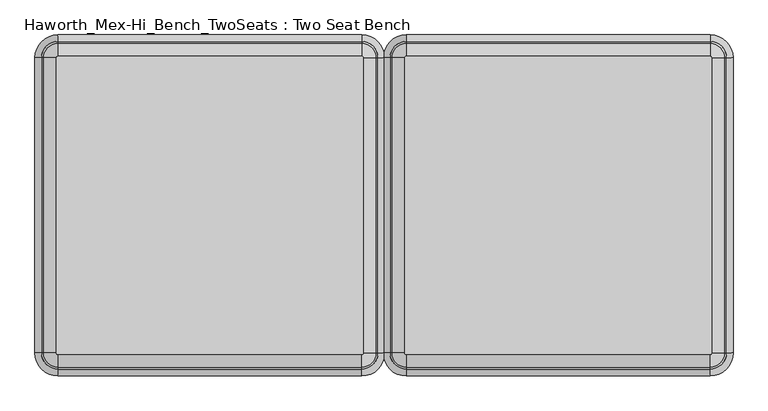
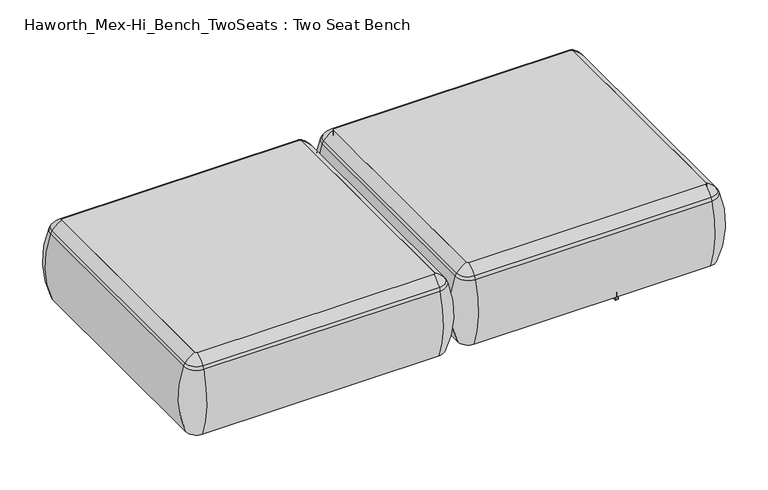
"""IFC4 building model written with IfcOpenShell, lengths in millimetres: furniture geometry, Haworth_Mex-Hi_Bench_TwoSeats : Two Seat Bench."""

from ifc_helpers import new_model, si_unit, point, frame, frame_2d, origin, place, context, project, spatial, polyline, circle_curve, ellipse_curve, trimmed, segment, composite_curve, outline, extrude, source, transform, mapped, element, save
from ifc_brep_helpers import plane_surface, cylinder_surface, revolved_surface, advanced_brep


def haworth_mex_hi_bench_twoseats_two_seat_bench_a77e207c(model_context):
    return source(origin(), model_context, "Body", "SolidModel", [
        advanced_brep(
        [(-103.5651735, -668.4794123, 390.3914007), (-98.2853663, -673.7592195, 390.3914007), (-98.2853663, -673.7592195, 123.9999984), (-103.5651735, -668.4794123, 123.9999984), (-132.2532177, -668.4794123, 123.9999984), (-98.2853663, -702.4472637, 123.9999984), (-98.2853663, -710.1267287, 353.7769053), (-139.9326827, -668.4794123, 353.7769053), (-103.5651735, 89.8571486, 123.9999984), (-103.5651735, 89.8571486, 390.3914007), (-139.9326827, 89.8571486, 353.7769053), (-132.2532177, 89.8571486, 123.9999984), (-98.2853663, 95.1369558, 390.3914007), (-98.2853663, 95.1369558, 123.9999984), (-98.2853663, 123.825, 123.9999984), (-98.2853663, 131.504465, 353.7769053), (681.4946337, 95.1369558, 123.9999984), (681.4946337, 95.1369558, 390.3914007), (681.4946337, 131.504465, 353.7769053), (681.4946337, 123.825, 123.9999984), (686.774441, 89.8571486, 390.3914007), (686.774441, 89.8571486, 123.9999984), (715.4624852, 89.8571486, 123.9999984), (723.1419502, 89.8571486, 353.7769053), (686.774441, -668.4794123, 123.9999984), (686.774441, -668.4794123, 390.3914007), (723.1419502, -668.4794123, 353.7769053), (715.4624852, -668.4794123, 123.9999984), (681.4946337, -673.7592195, 390.3914007), (681.4946337, -673.7592195, 123.9999984), (681.4946337, -702.4472637, 123.9999984), (681.4946337, -710.1267287, 353.7769053), (-134.7142228, -668.4794123, 363.6402875), (-98.2853663, -704.9082688, 363.6402875), (-134.7142228, 89.8571486, 363.6402875), (-98.2853663, 126.2860051, 363.6402875), (681.4946337, 126.2860051, 363.6402875), (717.9234903, 89.8571486, 363.6402875), (717.9234903, -668.4794123, 363.6402875), (681.4946337, -704.9082688, 363.6402875)],
        [
            (0, 1, circle_curve(frame((-98.2853663, -668.4794123, 390.3914007), z_axis=(0.0, 0.0, 1.0), x_axis=(0.0, -1.0, 0.0)), 5.2798073)),
            (1, 2),
            (2, 3, circle_curve(frame((-98.2853663, -668.4794123, 123.9999984), z_axis=(0.0, 0.0, -1.0), x_axis=(0.0, -1.0, 0.0)), 5.2798073)),
            (3, 0),
            (4, 5, circle_curve(frame((-98.2853663, -668.4794123, 123.9999984), z_axis=(0.0, 0.0, 1.0), x_axis=(0.0, -1.0, 0.0)), 33.9678514)),
            (5, 6, circle_curve(frame((-98.2853663, -406.0729797, 248.9220234), z_axis=(-1.0, 0.0, 0.0), x_axis=(0.0, -1.0, 0.0)), 321.625914)),
            (6, 7, circle_curve(frame((-98.2853663, -668.4794123, 353.7769053), z_axis=(0.0, 0.0, -1.0), x_axis=(0.0, -1.0, 0.0)), 41.6473165)),
            (7, 4, circle_curve(frame((164.1210663, -668.4794123, 248.9220234), z_axis=(0.0, -1.0, 0.0), x_axis=(-1.0, 0.0, 0.0)), 321.625914)),
            (3, 8),
            (8, 9),
            (9, 0),
            (7, 10),
            (10, 11, circle_curve(frame((164.1210663, 89.8571486, 248.9220234), z_axis=(0.0, -1.0, 0.0), x_axis=(-1.0, 0.0, 0.0)), 321.625914)),
            (11, 4),
            (12, 9, circle_curve(frame((-98.2853663, 89.8571486, 390.3914007), z_axis=(0.0, 0.0, 1.0), x_axis=(-1.0, 0.0, 0.0)), 5.2798073)),
            (8, 13, circle_curve(frame((-98.2853663, 89.8571486, 123.9999984), z_axis=(0.0, 0.0, -1.0), x_axis=(-1.0, 0.0, 0.0)), 5.2798073)),
            (13, 12),
            (14, 11, circle_curve(frame((-98.2853663, 89.8571486, 123.9999984), z_axis=(0.0, 0.0, 1.0), x_axis=(-1.0, 0.0, 0.0)), 33.9678514)),
            (10, 15, circle_curve(frame((-98.2853663, 89.8571486, 353.7769053), z_axis=(0.0, 0.0, -1.0), x_axis=(-1.0, 0.0, 0.0)), 41.6473165)),
            (15, 14, circle_curve(frame((-98.2853663, -172.549284, 248.9220234), z_axis=(-1.0, 0.0, 0.0), x_axis=(0.0, 1.0, 0.0)), 321.625914)),
            (13, 16),
            (16, 17),
            (17, 12),
            (15, 18),
            (18, 19, circle_curve(frame((681.4946337, -172.549284, 248.9220234), z_axis=(-1.0, 0.0, 0.0), x_axis=(0.0, 1.0, 0.0)), 321.625914)),
            (19, 14),
            (20, 17, circle_curve(frame((681.4946337, 89.8571486, 390.3914007), z_axis=(0.0, 0.0, 1.0), x_axis=(0.0, 1.0, 0.0)), 5.2798073)),
            (16, 21, circle_curve(frame((681.4946337, 89.8571486, 123.9999984), z_axis=(0.0, 0.0, -1.0), x_axis=(0.0, 1.0, 0.0)), 5.2798073)),
            (21, 20),
            (22, 19, circle_curve(frame((681.4946337, 89.8571486, 123.9999984), z_axis=(0.0, 0.0, 1.0), x_axis=(0.0, 1.0, 0.0)), 33.9678514)),
            (18, 23, circle_curve(frame((681.4946337, 89.8571486, 353.7769053), z_axis=(0.0, 0.0, -1.0), x_axis=(0.0, 1.0, 0.0)), 41.6473165)),
            (23, 22, circle_curve(frame((419.0882012, 89.8571486, 248.9220234), z_axis=(0.0, 1.0, 0.0), x_axis=(1.0, 0.0, 0.0)), 321.625914)),
            (21, 24),
            (24, 25),
            (25, 20),
            (23, 26),
            (26, 27, circle_curve(frame((419.0882012, -668.4794123, 248.9220234), z_axis=(0.0, 1.0, 0.0), x_axis=(1.0, 0.0, 0.0)), 321.625914)),
            (27, 22),
            (28, 25, circle_curve(frame((681.4946337, -668.4794123, 390.3914007), z_axis=(0.0, 0.0, 1.0), x_axis=(1.0, 0.0, 0.0)), 5.2798073)),
            (24, 29, circle_curve(frame((681.4946337, -668.4794123, 123.9999984), z_axis=(0.0, 0.0, -1.0), x_axis=(1.0, 0.0, 0.0)), 5.2798073)),
            (29, 28),
            (30, 27, circle_curve(frame((681.4946337, -668.4794123, 123.9999984), z_axis=(0.0, 0.0, 1.0), x_axis=(1.0, 0.0, 0.0)), 33.9678514)),
            (26, 31, circle_curve(frame((681.4946337, -668.4794123, 353.7769053), z_axis=(0.0, 0.0, -1.0), x_axis=(1.0, 0.0, 0.0)), 41.6473165)),
            (31, 30, circle_curve(frame((681.4946337, -406.0729797, 248.9220234), z_axis=(1.0, 0.0, 0.0), x_axis=(0.0, -1.0, 0.0)), 321.625914)),
            (30, 5),
            (2, 29),
            (1, 28),
            (31, 6),
            (32, 33, circle_curve(frame((-98.2853663, -668.4794123, 363.6402875), z_axis=(0.0, 0.0, 1.0), x_axis=(0.0, -1.0, 0.0)), 36.4288566)),
            (33, 1, circle_curve(frame((-98.2853663, -629.5266, 307.3762868), z_axis=(-1.0, 0.0, 0.0), x_axis=(0.0, -1.0, 0.0)), 94.0639876)),
            (0, 32, circle_curve(frame((-59.332554, -668.4794123, 307.3762868), z_axis=(0.0, -1.0, 0.0), x_axis=(-1.0, 0.0, 0.0)), 94.0639876)),
            (6, 33, circle_curve(frame((-98.2853663, -675.8620096, 341.9604975), z_axis=(-1.0, 0.0, 0.0), x_axis=(0.0, -1.0, 0.0)), 36.2449785)),
            (32, 7, circle_curve(frame((-105.6679637, -668.4794123, 341.9604975), z_axis=(0.0, -1.0, 0.0), x_axis=(-1.0, 0.0, 0.0)), 36.2449785)),
            (9, 34, circle_curve(frame((-59.332554, 89.8571486, 307.3762868), z_axis=(0.0, -1.0, 0.0), x_axis=(-1.0, 0.0, 0.0)), 94.0639876)),
            (34, 32),
            (34, 10, circle_curve(frame((-105.6679637, 89.8571486, 341.9604975), z_axis=(0.0, -1.0, 0.0), x_axis=(-1.0, 0.0, 0.0)), 36.2449785)),
            (35, 34, circle_curve(frame((-98.2853663, 89.8571486, 363.6402875), z_axis=(0.0, 0.0, 1.0), x_axis=(-1.0, 0.0, 0.0)), 36.4288566)),
            (12, 35, circle_curve(frame((-98.2853663, 50.9043363, 307.3762868), z_axis=(-1.0, 0.0, 0.0), x_axis=(0.0, 1.0, 0.0)), 94.0639876)),
            (35, 15, circle_curve(frame((-98.2853663, 97.2397459, 341.9604975), z_axis=(-1.0, 0.0, 0.0), x_axis=(0.0, 1.0, 0.0)), 36.2449785)),
            (17, 36, circle_curve(frame((681.4946337, 50.9043363, 307.3762868), z_axis=(-1.0, 0.0, 0.0), x_axis=(0.0, 1.0, 0.0)), 94.0639876)),
            (36, 35),
            (36, 18, circle_curve(frame((681.4946337, 97.2397459, 341.9604975), z_axis=(-1.0, 0.0, 0.0), x_axis=(0.0, 1.0, 0.0)), 36.2449785)),
            (37, 36, circle_curve(frame((681.4946337, 89.8571486, 363.6402875), z_axis=(0.0, 0.0, 1.0), x_axis=(0.0, 1.0, 0.0)), 36.4288566)),
            (20, 37, circle_curve(frame((642.5418215, 89.8571486, 307.3762868), z_axis=(0.0, 1.0, 0.0), x_axis=(1.0, 0.0, 0.0)), 94.0639876)),
            (37, 23, circle_curve(frame((688.8772311, 89.8571486, 341.9604975), z_axis=(0.0, 1.0, 0.0), x_axis=(1.0, 0.0, 0.0)), 36.2449785)),
            (25, 38, circle_curve(frame((642.5418215, -668.4794123, 307.3762868), z_axis=(0.0, 1.0, 0.0), x_axis=(1.0, 0.0, 0.0)), 94.0639876)),
            (38, 37),
            (38, 26, circle_curve(frame((688.8772311, -668.4794123, 341.9604975), z_axis=(0.0, 1.0, 0.0), x_axis=(1.0, 0.0, 0.0)), 36.2449785)),
            (39, 38, circle_curve(frame((681.4946337, -668.4794123, 363.6402875), z_axis=(0.0, 0.0, 1.0), x_axis=(1.0, 0.0, 0.0)), 36.4288566)),
            (28, 39, circle_curve(frame((681.4946337, -629.5266, 307.3762868), z_axis=(1.0, 0.0, 0.0), x_axis=(0.0, -1.0, 0.0)), 94.0639876)),
            (39, 31, circle_curve(frame((681.4946337, -675.8620096, 341.9604975), z_axis=(1.0, 0.0, 0.0), x_axis=(0.0, -1.0, 0.0)), 36.2449785)),
            (33, 39),
        ],
        [
            revolved_surface(polyline([(-98.2853663, -673.7592196, 123.9999984), (-98.2853663, -673.7592196, 390.3914007)]), (-98.2853663, -668.4794123, 0.0), (0.0, 0.0, -1.0)),
            revolved_surface(trimmed(ellipse_curve(frame((-98.2853663, -406.0729797, 248.9220234), z_axis=(1.0, 0.0, 0.0), x_axis=(0.0, -1.0, 0.0)), 321.625914, 321.625914), [point((-98.2853663, -710.1267287, 353.7769053))], [point((-98.2853663, -702.4472637, 123.9999984))], True, "CARTESIAN"), (-98.2853663, -668.4794123, 0.0), (0.0, 0.0, -1.0)),
            plane_surface(frame((-103.5651735, -668.4794123, 123.9999984), z_axis=(1.0, 0.0, 0.0), x_axis=(0.0, 1.0, 0.0))),
            cylinder_surface(frame((164.1210663, -668.4794123, 248.9220234), z_axis=(0.0, -1.0, 0.0), x_axis=(-1.0, 0.0, 0.0)), 321.625914),
            revolved_surface(polyline([(-103.56517360000001, 89.8571486, 123.9999984), (-103.56517360000001, 89.8571486, 390.3914007)]), (-98.2853663, 89.8571486, 0.0), (0.0, 0.0, -1.0)),
            revolved_surface(trimmed(ellipse_curve(frame((164.1210663, 89.8571486, 248.9220234), z_axis=(0.0, -1.0, 0.0), x_axis=(-1.0, 0.0, 0.0)), 321.625914, 321.625914), [point((-139.9326827, 89.8571486, 353.7769053))], [point((-132.2532177, 89.8571486, 123.9999984))], True, "CARTESIAN"), (-98.2853663, 89.8571486, 0.0), (0.0, 0.0, -1.0)),
            plane_surface(frame((-98.2853663, 95.1369558, 123.9999984), z_axis=(0.0, -1.0, 0.0), x_axis=(1.0, 0.0, 0.0))),
            cylinder_surface(frame((-98.2853663, -172.549284, 248.9220234), z_axis=(-1.0, 0.0, 0.0), x_axis=(0.0, 1.0, 0.0)), 321.625914),
            revolved_surface(polyline([(681.4946337, 95.1369559, 123.9999984), (681.4946337, 95.1369559, 390.3914007)]), (681.4946337, 89.8571486, 0.0), (0.0, 0.0, -1.0)),
            revolved_surface(trimmed(ellipse_curve(frame((681.4946337, -172.549284, 248.9220234), z_axis=(-1.0, 0.0, 0.0), x_axis=(0.0, 1.0, 0.0)), 321.625914, 321.625914), [point((681.4946337, 131.504465, 353.7769053))], [point((681.4946337, 123.825, 123.9999984))], True, "CARTESIAN"), (681.4946337, 89.8571486, 0.0), (0.0, 0.0, -1.0)),
            plane_surface(frame((686.774441, 89.8571486, 123.9999984), z_axis=(-1.0, 0.0, 0.0), x_axis=(0.0, -1.0, 0.0))),
            cylinder_surface(frame((419.0882012, 89.8571486, 248.9220234), z_axis=(0.0, 1.0, 0.0), x_axis=(1.0, 0.0, 0.0)), 321.625914),
            revolved_surface(polyline([(686.774441, -668.4794123, 123.9999984), (686.774441, -668.4794123, 390.3914007)]), (681.4946337, -668.4794123, 0.0), (0.0, 0.0, -1.0)),
            revolved_surface(trimmed(ellipse_curve(frame((419.0882012, -668.4794123, 248.9220234), z_axis=(0.0, 1.0, 0.0), x_axis=(1.0, 0.0, 0.0)), 321.625914, 321.625914), [point((723.1419502, -668.4794123, 353.7769053))], [point((715.4624852, -668.4794123, 123.9999984))], True, "CARTESIAN"), (681.4946337, -668.4794123, 0.0), (0.0, 0.0, -1.0)),
            plane_surface(frame((681.4946337, -702.4472637, 123.9999984), z_axis=(0.0, 0.0, -1.0), x_axis=(-1.0, 0.0, 0.0))),
            plane_surface(frame((681.4946337, -673.7592195, 123.9999984), z_axis=(0.0, 1.0, 0.0), x_axis=(-1.0, 0.0, 0.0))),
            cylinder_surface(frame((681.4946337, -406.0729797, 248.9220234), z_axis=(1.0, 0.0, 0.0), x_axis=(0.0, -1.0, 0.0)), 321.625914),
            revolved_surface(trimmed(ellipse_curve(frame((-98.2853663, -629.5266, 307.3762868), z_axis=(1.0, 0.0, 0.0), x_axis=(0.0, -1.0, 0.0)), 94.0639876, 94.0639876), [point((-98.2853663, -673.7592195, 390.3914007))], [point((-98.2853663, -704.9082688, 363.6402875))], True, "CARTESIAN"), (-98.2853663, -668.4794123, 0.0), (0.0, 0.0, -1.0)),
            revolved_surface(trimmed(ellipse_curve(frame((-98.2853663, -675.8620096, 341.9604975), z_axis=(1.0, 0.0, 0.0), x_axis=(0.0, -1.0, 0.0)), 36.2449785, 36.2449785), [point((-98.2853663, -704.9082688, 363.6402875))], [point((-98.2853663, -710.1267287, 353.7769053))], True, "CARTESIAN"), (-98.2853663, -668.4794123, 0.0), (0.0, 0.0, -1.0)),
            cylinder_surface(frame((-59.332554, -668.4794123, 307.3762868), z_axis=(0.0, -1.0, 0.0), x_axis=(-1.0, 0.0, 0.0)), 94.0639876),
            cylinder_surface(frame((-105.6679637, -668.4794123, 341.9604975), z_axis=(0.0, -1.0, 0.0), x_axis=(-1.0, 0.0, 0.0)), 36.2449785),
            revolved_surface(trimmed(ellipse_curve(frame((-59.332554, 89.8571486, 307.3762868), z_axis=(0.0, -1.0, 0.0), x_axis=(-1.0, 0.0, 0.0)), 94.0639876, 94.0639876), [point((-103.5651735, 89.8571486, 390.3914007))], [point((-134.7142228, 89.8571486, 363.6402875))], True, "CARTESIAN"), (-98.2853663, 89.8571486, 0.0), (0.0, 0.0, -1.0)),
            revolved_surface(trimmed(ellipse_curve(frame((-105.6679637, 89.8571486, 341.9604975), z_axis=(0.0, -1.0, 0.0), x_axis=(-1.0, 0.0, 0.0)), 36.2449785, 36.2449785), [point((-134.7142228, 89.8571486, 363.6402875))], [point((-139.9326827, 89.8571486, 353.7769053))], True, "CARTESIAN"), (-98.2853663, 89.8571486, 0.0), (0.0, 0.0, -1.0)),
            cylinder_surface(frame((-98.2853663, 50.9043363, 307.3762868), z_axis=(-1.0, 0.0, 0.0), x_axis=(0.0, 1.0, 0.0)), 94.0639876),
            cylinder_surface(frame((-98.2853663, 97.2397459, 341.9604975), z_axis=(-1.0, 0.0, 0.0), x_axis=(0.0, 1.0, 0.0)), 36.2449785),
            revolved_surface(trimmed(ellipse_curve(frame((681.4946337, 50.9043363, 307.3762868), z_axis=(-1.0, 0.0, 0.0), x_axis=(0.0, 1.0, 0.0)), 94.0639876, 94.0639876), [point((681.4946337, 95.1369558, 390.3914007))], [point((681.4946337, 126.2860051, 363.6402875))], True, "CARTESIAN"), (681.4946337, 89.8571486, 0.0), (0.0, 0.0, -1.0)),
            revolved_surface(trimmed(ellipse_curve(frame((681.4946337, 97.2397459, 341.9604975), z_axis=(-1.0, 0.0, 0.0), x_axis=(0.0, 1.0, 0.0)), 36.2449785, 36.2449785), [point((681.4946337, 126.2860051, 363.6402875))], [point((681.4946337, 131.504465, 353.7769053))], True, "CARTESIAN"), (681.4946337, 89.8571486, 0.0), (0.0, 0.0, -1.0)),
            cylinder_surface(frame((642.5418215, 89.8571486, 307.3762868), z_axis=(0.0, 1.0, 0.0), x_axis=(1.0, 0.0, 0.0)), 94.0639876),
            cylinder_surface(frame((688.8772311, 89.8571486, 341.9604975), z_axis=(0.0, 1.0, 0.0), x_axis=(1.0, 0.0, 0.0)), 36.2449785),
            revolved_surface(trimmed(ellipse_curve(frame((642.5418215, -668.4794123, 307.3762868), z_axis=(0.0, 1.0, 0.0), x_axis=(1.0, 0.0, 0.0)), 94.0639876, 94.0639876), [point((686.774441, -668.4794123, 390.3914007))], [point((717.9234903, -668.4794123, 363.6402875))], True, "CARTESIAN"), (681.4946337, -668.4794123, 0.0), (0.0, 0.0, -1.0)),
            revolved_surface(trimmed(ellipse_curve(frame((688.8772311, -668.4794123, 341.9604975), z_axis=(0.0, 1.0, 0.0), x_axis=(1.0, 0.0, 0.0)), 36.2449785, 36.2449785), [point((717.9234903, -668.4794123, 363.6402875))], [point((723.1419502, -668.4794123, 353.7769053))], True, "CARTESIAN"), (681.4946337, -668.4794123, 0.0), (0.0, 0.0, -1.0)),
            cylinder_surface(frame((681.4946337, -629.5266, 307.3762868), z_axis=(1.0, 0.0, 0.0), x_axis=(0.0, -1.0, 0.0)), 94.0639876),
            cylinder_surface(frame((681.4946337, -675.8620096, 341.9604975), z_axis=(1.0, 0.0, 0.0), x_axis=(0.0, -1.0, 0.0)), 36.2449785),
        ],
        [
            (0, [[1, 2, 3, 4]]),
            (1, [[5, 6, 7, 8]]),
            (2, [[-4, 9, 10, 11]]),
            (3, [[-8, 12, 13, 14]]),
            (4, [[15, -10, 16, 17]]),
            (5, [[18, -13, 19, 20]]),
            (6, [[-17, 21, 22, 23]]),
            (7, [[-20, 24, 25, 26]]),
            (8, [[27, -22, 28, 29]]),
            (9, [[30, -25, 31, 32]]),
            (10, [[-29, 33, 34, 35]]),
            (11, [[-32, 36, 37, 38]]),
            (12, [[39, -34, 40, 41]]),
            (13, [[42, -37, 43, 44]]),
            (14, [[-38, -42, 45, -5, -14, -18, -26, -30], [46, -40, -33, -28, -21, -16, -9, -3]]),
            (15, [[-41, -46, -2, 47]]),
            (16, [[-44, 48, -6, -45]]),
            (17, [[49, 50, -1, 51]]),
            (18, [[-7, 52, -49, 53]]),
            (19, [[-51, -11, 54, 55]]),
            (20, [[-53, -55, 56, -12]]),
            (21, [[57, -54, -15, 58]]),
            (22, [[-19, -56, -57, 59]]),
            (23, [[-58, -23, 60, 61]]),
            (24, [[-59, -61, 62, -24]]),
            (25, [[63, -60, -27, 64]]),
            (26, [[-31, -62, -63, 65]]),
            (27, [[-64, -35, 66, 67]]),
            (28, [[-65, -67, 68, -36]]),
            (29, [[69, -66, -39, 70]]),
            (30, [[-43, -68, -69, 71]]),
            (31, [[-70, -47, -50, 72]]),
            (32, [[-71, -72, -52, -48]]),
        ],
    ),
        extrude(outline(composite_curve([segment(trimmed(circle_curve(frame_2d((681.4946337, -668.4794123)), 5.2798073), [point((686.774441, -668.4794123))], [point((681.4946337, -673.7592195))], False, "CARTESIAN"), True, "CONTINUOUS"), segment(polyline([(681.4946337, -673.7592195), (-98.2853663, -673.7592195)]), True, "CONTINUOUS"), segment(trimmed(circle_curve(frame_2d((-98.2853663, -668.4794123)), 5.2798073), [point((-98.2853663, -673.7592195))], [point((-103.5651735, -668.4794123))], False, "CARTESIAN"), True, "CONTINUOUS"), segment(polyline([(-103.5651735, -668.4794123), (-103.5651735, 89.8571486)]), True, "CONTINUOUS"), segment(trimmed(circle_curve(frame_2d((-98.2853663, 89.8571486)), 5.2798073), [point((-103.5651735, 89.8571486))], [point((-98.2853663, 95.1369558))], False, "CARTESIAN"), True, "CONTINUOUS"), segment(polyline([(-98.2853663, 95.1369558), (681.4946337, 95.1369558)]), True, "CONTINUOUS"), segment(trimmed(circle_curve(frame_2d((681.4946337, 89.8571486)), 5.2798073), [point((681.4946337, 95.1369558))], [point((686.774441, 89.8571486))], False, "CARTESIAN"), True, "CONTINUOUS"), segment(polyline([(686.774441, 89.8571486), (686.774441, -668.4794123)]), True, "CONTINUOUS")], self_intersect=False)), frame((0.0, 0.0, 123.9999984), z_axis=(0.0, 0.0, 1.0), x_axis=(1.0, 0.0, 0.0)), (0.0, 0.0, 1.0), 266.3914023),
        advanced_brep(
        [(-997.6650173, -668.4794123, 390.3914007), (-992.38521, -673.7592195, 390.3914007), (-992.38521, -673.7592195, 123.9999984), (-997.6650173, -668.4794123, 123.9999984), (-1026.3530615, -668.4794123, 123.9999984), (-992.38521, -702.4472637, 123.9999984), (-992.38521, -710.1267287, 353.7769053), (-1034.0325265, -668.4794123, 353.7769053), (-997.6650173, 89.8571486, 123.9999984), (-997.6650173, 89.8571486, 390.3914007), (-1034.0325265, 89.8571486, 353.7769053), (-1026.3530615, 89.8571486, 123.9999984), (-992.38521, 95.1369558, 390.3914007), (-992.38521, 95.1369558, 123.9999984), (-992.38521, 123.825, 123.9999984), (-992.38521, 131.504465, 353.7769053), (-212.60521, 95.1369558, 123.9999984), (-212.60521, 95.1369558, 390.3914007), (-212.60521, 131.504465, 353.7769053), (-212.60521, 123.825, 123.9999984), (-207.3254028, 89.8571486, 390.3914007), (-207.3254028, 89.8571486, 123.9999984), (-178.6373586, 89.8571486, 123.9999984), (-170.9578936, 89.8571486, 353.7769053), (-207.3254028, -668.4794123, 123.9999984), (-207.3254028, -668.4794123, 390.3914007), (-170.9578936, -668.4794123, 353.7769053), (-178.6373586, -668.4794123, 123.9999984), (-212.60521, -673.7592195, 390.3914007), (-212.60521, -673.7592195, 123.9999984), (-212.60521, -702.4472637, 123.9999984), (-212.60521, -710.1267287, 353.7769053), (-1028.8140666, -668.4794123, 363.6402875), (-992.38521, -704.9082688, 363.6402875), (-1028.8140666, 89.8571486, 363.6402875), (-992.38521, 126.2860051, 363.6402875), (-212.60521, 126.2860051, 363.6402875), (-176.1763535, 89.8571486, 363.6402875), (-176.1763535, -668.4794123, 363.6402875), (-212.60521, -704.9082688, 363.6402875)],
        [
            (0, 1, circle_curve(frame((-992.38521, -668.4794123, 390.3914007), z_axis=(0.0, 0.0, 1.0), x_axis=(0.0, -1.0, 0.0)), 5.2798073)),
            (1, 2),
            (2, 3, circle_curve(frame((-992.38521, -668.4794123, 123.9999984), z_axis=(0.0, 0.0, -1.0), x_axis=(0.0, -1.0, 0.0)), 5.2798073)),
            (3, 0),
            (4, 5, circle_curve(frame((-992.38521, -668.4794123, 123.9999984), z_axis=(0.0, 0.0, 1.0), x_axis=(0.0, -1.0, 0.0)), 33.9678514)),
            (5, 6, circle_curve(frame((-992.38521, -406.0729797, 248.9220234), z_axis=(-1.0, 0.0, 0.0), x_axis=(0.0, -1.0, 0.0)), 321.625914)),
            (6, 7, circle_curve(frame((-992.38521, -668.4794123, 353.7769053), z_axis=(0.0, 0.0, -1.0), x_axis=(0.0, -1.0, 0.0)), 41.6473165)),
            (7, 4, circle_curve(frame((-729.9787775, -668.4794123, 248.9220234), z_axis=(0.0, -1.0, 0.0), x_axis=(-1.0, 0.0, 0.0)), 321.625914)),
            (3, 8),
            (8, 9),
            (9, 0),
            (7, 10),
            (10, 11, circle_curve(frame((-729.9787775, 89.8571486, 248.9220234), z_axis=(0.0, -1.0, 0.0), x_axis=(-1.0, 0.0, 0.0)), 321.625914)),
            (11, 4),
            (12, 9, circle_curve(frame((-992.38521, 89.8571486, 390.3914007), z_axis=(0.0, 0.0, 1.0), x_axis=(-1.0, 0.0, 0.0)), 5.2798073)),
            (8, 13, circle_curve(frame((-992.38521, 89.8571486, 123.9999984), z_axis=(0.0, 0.0, -1.0), x_axis=(-1.0, 0.0, 0.0)), 5.2798073)),
            (13, 12),
            (14, 11, circle_curve(frame((-992.38521, 89.8571486, 123.9999984), z_axis=(0.0, 0.0, 1.0), x_axis=(-1.0, 0.0, 0.0)), 33.9678514)),
            (10, 15, circle_curve(frame((-992.38521, 89.8571486, 353.7769053), z_axis=(0.0, 0.0, -1.0), x_axis=(-1.0, 0.0, 0.0)), 41.6473165)),
            (15, 14, circle_curve(frame((-992.38521, -172.549284, 248.9220234), z_axis=(-1.0, 0.0, 0.0), x_axis=(0.0, 1.0, 0.0)), 321.625914)),
            (13, 16),
            (16, 17),
            (17, 12),
            (15, 18),
            (18, 19, circle_curve(frame((-212.60521, -172.549284, 248.9220234), z_axis=(-1.0, 0.0, 0.0), x_axis=(0.0, 1.0, 0.0)), 321.625914)),
            (19, 14),
            (20, 17, circle_curve(frame((-212.60521, 89.8571486, 390.3914007), z_axis=(0.0, 0.0, 1.0), x_axis=(0.0, 1.0, 0.0)), 5.2798073)),
            (16, 21, circle_curve(frame((-212.60521, 89.8571486, 123.9999984), z_axis=(0.0, 0.0, -1.0), x_axis=(0.0, 1.0, 0.0)), 5.2798073)),
            (21, 20),
            (22, 19, circle_curve(frame((-212.60521, 89.8571486, 123.9999984), z_axis=(0.0, 0.0, 1.0), x_axis=(0.0, 1.0, 0.0)), 33.9678514)),
            (18, 23, circle_curve(frame((-212.60521, 89.8571486, 353.7769053), z_axis=(0.0, 0.0, -1.0), x_axis=(0.0, 1.0, 0.0)), 41.6473165)),
            (23, 22, circle_curve(frame((-475.0116426, 89.8571486, 248.9220234), z_axis=(0.0, 1.0, 0.0), x_axis=(1.0, 0.0, 0.0)), 321.625914)),
            (21, 24),
            (24, 25),
            (25, 20),
            (23, 26),
            (26, 27, circle_curve(frame((-475.0116426, -668.4794123, 248.9220234), z_axis=(0.0, 1.0, 0.0), x_axis=(1.0, 0.0, 0.0)), 321.625914)),
            (27, 22),
            (28, 25, circle_curve(frame((-212.60521, -668.4794123, 390.3914007), z_axis=(0.0, 0.0, 1.0), x_axis=(1.0, 0.0, 0.0)), 5.2798073)),
            (24, 29, circle_curve(frame((-212.60521, -668.4794123, 123.9999984), z_axis=(0.0, 0.0, -1.0), x_axis=(1.0, 0.0, 0.0)), 5.2798073)),
            (29, 28),
            (30, 27, circle_curve(frame((-212.60521, -668.4794123, 123.9999984), z_axis=(0.0, 0.0, 1.0), x_axis=(1.0, 0.0, 0.0)), 33.9678514)),
            (26, 31, circle_curve(frame((-212.60521, -668.4794123, 353.7769053), z_axis=(0.0, 0.0, -1.0), x_axis=(1.0, 0.0, 0.0)), 41.6473165)),
            (31, 30, circle_curve(frame((-212.60521, -406.0729797, 248.9220234), z_axis=(1.0, 0.0, 0.0), x_axis=(0.0, -1.0, 0.0)), 321.625914)),
            (30, 5),
            (2, 29),
            (1, 28),
            (31, 6),
            (32, 33, circle_curve(frame((-992.38521, -668.4794123, 363.6402875), z_axis=(0.0, 0.0, 1.0), x_axis=(0.0, -1.0, 0.0)), 36.4288566)),
            (33, 1, circle_curve(frame((-992.38521, -629.5266, 307.3762868), z_axis=(-1.0, 0.0, 0.0), x_axis=(0.0, -1.0, 0.0)), 94.0639876)),
            (0, 32, circle_curve(frame((-953.4323978, -668.4794123, 307.3762868), z_axis=(0.0, -1.0, 0.0), x_axis=(-1.0, 0.0, 0.0)), 94.0639876)),
            (6, 33, circle_curve(frame((-992.38521, -675.8620096, 341.9604975), z_axis=(-1.0, 0.0, 0.0), x_axis=(0.0, -1.0, 0.0)), 36.2449785)),
            (32, 7, circle_curve(frame((-999.7678074, -668.4794123, 341.9604975), z_axis=(0.0, -1.0, 0.0), x_axis=(-1.0, 0.0, 0.0)), 36.2449785)),
            (9, 34, circle_curve(frame((-953.4323978, 89.8571486, 307.3762868), z_axis=(0.0, -1.0, 0.0), x_axis=(-1.0, 0.0, 0.0)), 94.0639876)),
            (34, 32),
            (34, 10, circle_curve(frame((-999.7678074, 89.8571486, 341.9604975), z_axis=(0.0, -1.0, 0.0), x_axis=(-1.0, 0.0, 0.0)), 36.2449785)),
            (35, 34, circle_curve(frame((-992.38521, 89.8571486, 363.6402875), z_axis=(0.0, 0.0, 1.0), x_axis=(-1.0, 0.0, 0.0)), 36.4288566)),
            (12, 35, circle_curve(frame((-992.38521, 50.9043363, 307.3762868), z_axis=(-1.0, 0.0, 0.0), x_axis=(0.0, 1.0, 0.0)), 94.0639876)),
            (35, 15, circle_curve(frame((-992.38521, 97.2397459, 341.9604975), z_axis=(-1.0, 0.0, 0.0), x_axis=(0.0, 1.0, 0.0)), 36.2449785)),
            (17, 36, circle_curve(frame((-212.60521, 50.9043363, 307.3762868), z_axis=(-1.0, 0.0, 0.0), x_axis=(0.0, 1.0, 0.0)), 94.0639876)),
            (36, 35),
            (36, 18, circle_curve(frame((-212.60521, 97.2397459, 341.9604975), z_axis=(-1.0, 0.0, 0.0), x_axis=(0.0, 1.0, 0.0)), 36.2449785)),
            (37, 36, circle_curve(frame((-212.60521, 89.8571486, 363.6402875), z_axis=(0.0, 0.0, 1.0), x_axis=(0.0, 1.0, 0.0)), 36.4288566)),
            (20, 37, circle_curve(frame((-251.5580223, 89.8571486, 307.3762868), z_axis=(0.0, 1.0, 0.0), x_axis=(1.0, 0.0, 0.0)), 94.0639876)),
            (37, 23, circle_curve(frame((-205.2226126, 89.8571486, 341.9604975), z_axis=(0.0, 1.0, 0.0), x_axis=(1.0, 0.0, 0.0)), 36.2449785)),
            (25, 38, circle_curve(frame((-251.5580223, -668.4794123, 307.3762868), z_axis=(0.0, 1.0, 0.0), x_axis=(1.0, 0.0, 0.0)), 94.0639876)),
            (38, 37),
            (38, 26, circle_curve(frame((-205.2226126, -668.4794123, 341.9604975), z_axis=(0.0, 1.0, 0.0), x_axis=(1.0, 0.0, 0.0)), 36.2449785)),
            (39, 38, circle_curve(frame((-212.60521, -668.4794123, 363.6402875), z_axis=(0.0, 0.0, 1.0), x_axis=(1.0, 0.0, 0.0)), 36.4288566)),
            (28, 39, circle_curve(frame((-212.60521, -629.5266, 307.3762868), z_axis=(1.0, 0.0, 0.0), x_axis=(0.0, -1.0, 0.0)), 94.0639876)),
            (39, 31, circle_curve(frame((-212.60521, -675.8620096, 341.9604975), z_axis=(1.0, 0.0, 0.0), x_axis=(0.0, -1.0, 0.0)), 36.2449785)),
            (33, 39),
        ],
        [
            revolved_surface(polyline([(-992.38521, -673.7592196, 123.9999984), (-992.38521, -673.7592196, 390.3914007)]), (-992.38521, -668.4794123, 0.0), (0.0, 0.0, -1.0)),
            revolved_surface(trimmed(ellipse_curve(frame((-992.38521, -406.0729797, 248.9220234), z_axis=(1.0, 0.0, 0.0), x_axis=(0.0, -1.0, 0.0)), 321.625914, 321.625914), [point((-992.38521, -710.1267287, 353.7769053))], [point((-992.38521, -702.4472637, 123.9999984))], True, "CARTESIAN"), (-992.38521, -668.4794123, 0.0), (0.0, 0.0, -1.0)),
            plane_surface(frame((-997.6650173, -668.4794123, 123.9999984), z_axis=(1.0, 0.0, 0.0), x_axis=(0.0, 1.0, 0.0))),
            cylinder_surface(frame((-729.9787775, -668.4794123, 248.9220234), z_axis=(0.0, -1.0, 0.0), x_axis=(-1.0, 0.0, 0.0)), 321.625914),
            revolved_surface(polyline([(-997.6650173, 89.8571486, 123.9999984), (-997.6650173, 89.8571486, 390.3914007)]), (-992.38521, 89.8571486, 0.0), (0.0, 0.0, -1.0)),
            revolved_surface(trimmed(ellipse_curve(frame((-729.9787775, 89.8571486, 248.9220234), z_axis=(0.0, -1.0, 0.0), x_axis=(-1.0, 0.0, 0.0)), 321.625914, 321.625914), [point((-1034.0325265, 89.8571486, 353.7769053))], [point((-1026.3530615, 89.8571486, 123.9999984))], True, "CARTESIAN"), (-992.38521, 89.8571486, 0.0), (0.0, 0.0, -1.0)),
            plane_surface(frame((-992.38521, 95.1369558, 123.9999984), z_axis=(0.0, -1.0, 0.0), x_axis=(1.0, 0.0, 0.0))),
            cylinder_surface(frame((-992.38521, -172.549284, 248.9220234), z_axis=(-1.0, 0.0, 0.0), x_axis=(0.0, 1.0, 0.0)), 321.625914),
            revolved_surface(polyline([(-212.60521, 95.1369559, 123.9999984), (-212.60521, 95.1369559, 390.3914007)]), (-212.60521, 89.8571486, 0.0), (0.0, 0.0, -1.0)),
            revolved_surface(trimmed(ellipse_curve(frame((-212.60521, -172.549284, 248.9220234), z_axis=(-1.0, 0.0, 0.0), x_axis=(0.0, 1.0, 0.0)), 321.625914, 321.625914), [point((-212.60521, 131.504465, 353.7769053))], [point((-212.60521, 123.825, 123.9999984))], True, "CARTESIAN"), (-212.60521, 89.8571486, 0.0), (0.0, 0.0, -1.0)),
            plane_surface(frame((-207.3254028, 89.8571486, 123.9999984), z_axis=(-1.0, 0.0, 0.0), x_axis=(0.0, -1.0, 0.0))),
            cylinder_surface(frame((-475.0116426, 89.8571486, 248.9220234), z_axis=(0.0, 1.0, 0.0), x_axis=(1.0, 0.0, 0.0)), 321.625914),
            revolved_surface(polyline([(-207.3254027, -668.4794123, 123.9999984), (-207.3254027, -668.4794123, 390.3914007)]), (-212.60521, -668.4794123, 0.0), (0.0, 0.0, -1.0)),
            revolved_surface(trimmed(ellipse_curve(frame((-475.0116426, -668.4794123, 248.9220234), z_axis=(0.0, 1.0, 0.0), x_axis=(1.0, 0.0, 0.0)), 321.625914, 321.625914), [point((-170.9578936, -668.4794123, 353.7769053))], [point((-178.6373586, -668.4794123, 123.9999984))], True, "CARTESIAN"), (-212.60521, -668.4794123, 0.0), (0.0, 0.0, -1.0)),
            plane_surface(frame((-212.60521, -702.4472637, 123.9999984), z_axis=(0.0, 0.0, -1.0), x_axis=(-1.0, 0.0, 0.0))),
            plane_surface(frame((-212.60521, -673.7592195, 123.9999984), z_axis=(0.0, 1.0, 0.0), x_axis=(-1.0, 0.0, 0.0))),
            cylinder_surface(frame((-212.60521, -406.0729797, 248.9220234), z_axis=(1.0, 0.0, 0.0), x_axis=(0.0, -1.0, 0.0)), 321.625914),
            revolved_surface(trimmed(ellipse_curve(frame((-992.38521, -629.5266, 307.3762868), z_axis=(1.0, 0.0, 0.0), x_axis=(0.0, -1.0, 0.0)), 94.0639876, 94.0639876), [point((-992.38521, -673.7592195, 390.3914007))], [point((-992.38521, -704.9082688, 363.6402875))], True, "CARTESIAN"), (-992.38521, -668.4794123, 0.0), (0.0, 0.0, -1.0)),
            revolved_surface(trimmed(ellipse_curve(frame((-992.38521, -675.8620096, 341.9604975), z_axis=(1.0, 0.0, 0.0), x_axis=(0.0, -1.0, 0.0)), 36.2449785, 36.2449785), [point((-992.38521, -704.9082688, 363.6402875))], [point((-992.38521, -710.1267287, 353.7769053))], True, "CARTESIAN"), (-992.38521, -668.4794123, 0.0), (0.0, 0.0, -1.0)),
            cylinder_surface(frame((-953.4323978, -668.4794123, 307.3762868), z_axis=(0.0, -1.0, 0.0), x_axis=(-1.0, 0.0, 0.0)), 94.0639876),
            cylinder_surface(frame((-999.7678074, -668.4794123, 341.9604975), z_axis=(0.0, -1.0, 0.0), x_axis=(-1.0, 0.0, 0.0)), 36.2449785),
            revolved_surface(trimmed(ellipse_curve(frame((-953.4323978, 89.8571486, 307.3762868), z_axis=(0.0, -1.0, 0.0), x_axis=(-1.0, 0.0, 0.0)), 94.0639876, 94.0639876), [point((-997.6650173, 89.8571486, 390.3914007))], [point((-1028.8140666, 89.8571486, 363.6402875))], True, "CARTESIAN"), (-992.38521, 89.8571486, 0.0), (0.0, 0.0, -1.0)),
            revolved_surface(trimmed(ellipse_curve(frame((-999.7678074, 89.8571486, 341.9604975), z_axis=(0.0, -1.0, 0.0), x_axis=(-1.0, 0.0, 0.0)), 36.2449785, 36.2449785), [point((-1028.8140666, 89.8571486, 363.6402875))], [point((-1034.0325265, 89.8571486, 353.7769053))], True, "CARTESIAN"), (-992.38521, 89.8571486, 0.0), (0.0, 0.0, -1.0)),
            cylinder_surface(frame((-992.38521, 50.9043363, 307.3762868), z_axis=(-1.0, 0.0, 0.0), x_axis=(0.0, 1.0, 0.0)), 94.0639876),
            cylinder_surface(frame((-992.38521, 97.2397459, 341.9604975), z_axis=(-1.0, 0.0, 0.0), x_axis=(0.0, 1.0, 0.0)), 36.2449785),
            revolved_surface(trimmed(ellipse_curve(frame((-212.60521, 50.9043363, 307.3762868), z_axis=(-1.0, 0.0, 0.0), x_axis=(0.0, 1.0, 0.0)), 94.0639876, 94.0639876), [point((-212.60521, 95.1369558, 390.3914007))], [point((-212.60521, 126.2860051, 363.6402875))], True, "CARTESIAN"), (-212.60521, 89.8571486, 0.0), (0.0, 0.0, -1.0)),
            revolved_surface(trimmed(ellipse_curve(frame((-212.60521, 97.2397459, 341.9604975), z_axis=(-1.0, 0.0, 0.0), x_axis=(0.0, 1.0, 0.0)), 36.2449785, 36.2449785), [point((-212.60521, 126.2860051, 363.6402875))], [point((-212.60521, 131.504465, 353.7769053))], True, "CARTESIAN"), (-212.60521, 89.8571486, 0.0), (0.0, 0.0, -1.0)),
            cylinder_surface(frame((-251.5580223, 89.8571486, 307.3762868), z_axis=(0.0, 1.0, 0.0), x_axis=(1.0, 0.0, 0.0)), 94.0639876),
            cylinder_surface(frame((-205.2226126, 89.8571486, 341.9604975), z_axis=(0.0, 1.0, 0.0), x_axis=(1.0, 0.0, 0.0)), 36.2449785),
            revolved_surface(trimmed(ellipse_curve(frame((-251.5580223, -668.4794123, 307.3762868), z_axis=(0.0, 1.0, 0.0), x_axis=(1.0, 0.0, 0.0)), 94.0639876, 94.0639876), [point((-207.3254028, -668.4794123, 390.3914007))], [point((-176.1763535, -668.4794123, 363.6402875))], True, "CARTESIAN"), (-212.60521, -668.4794123, 0.0), (0.0, 0.0, -1.0)),
            revolved_surface(trimmed(ellipse_curve(frame((-205.2226126, -668.4794123, 341.9604975), z_axis=(0.0, 1.0, 0.0), x_axis=(1.0, 0.0, 0.0)), 36.2449785, 36.2449785), [point((-176.1763535, -668.4794123, 363.6402875))], [point((-170.9578936, -668.4794123, 353.7769053))], True, "CARTESIAN"), (-212.60521, -668.4794123, 0.0), (0.0, 0.0, -1.0)),
            cylinder_surface(frame((-212.60521, -629.5266, 307.3762868), z_axis=(1.0, 0.0, 0.0), x_axis=(0.0, -1.0, 0.0)), 94.0639876),
            cylinder_surface(frame((-212.60521, -675.8620096, 341.9604975), z_axis=(1.0, 0.0, 0.0), x_axis=(0.0, -1.0, 0.0)), 36.2449785),
        ],
        [
            (0, [[1, 2, 3, 4]]),
            (1, [[5, 6, 7, 8]]),
            (2, [[-4, 9, 10, 11]]),
            (3, [[-8, 12, 13, 14]]),
            (4, [[15, -10, 16, 17]]),
            (5, [[18, -13, 19, 20]]),
            (6, [[-17, 21, 22, 23]]),
            (7, [[-20, 24, 25, 26]]),
            (8, [[27, -22, 28, 29]]),
            (9, [[30, -25, 31, 32]]),
            (10, [[-29, 33, 34, 35]]),
            (11, [[-32, 36, 37, 38]]),
            (12, [[39, -34, 40, 41]]),
            (13, [[42, -37, 43, 44]]),
            (14, [[-38, -42, 45, -5, -14, -18, -26, -30], [46, -40, -33, -28, -21, -16, -9, -3]]),
            (15, [[-41, -46, -2, 47]]),
            (16, [[-44, 48, -6, -45]]),
            (17, [[49, 50, -1, 51]]),
            (18, [[-7, 52, -49, 53]]),
            (19, [[-51, -11, 54, 55]]),
            (20, [[-53, -55, 56, -12]]),
            (21, [[57, -54, -15, 58]]),
            (22, [[-19, -56, -57, 59]]),
            (23, [[-58, -23, 60, 61]]),
            (24, [[-59, -61, 62, -24]]),
            (25, [[63, -60, -27, 64]]),
            (26, [[-31, -62, -63, 65]]),
            (27, [[-64, -35, 66, 67]]),
            (28, [[-65, -67, 68, -36]]),
            (29, [[69, -66, -39, 70]]),
            (30, [[-43, -68, -69, 71]]),
            (31, [[-70, -47, -50, 72]]),
            (32, [[-71, -72, -52, -48]]),
        ],
    ),
        extrude(outline(composite_curve([segment(trimmed(circle_curve(frame_2d((-212.60521, -668.4794123)), 5.2798073), [point((-207.3254028, -668.4794123))], [point((-212.60521, -673.7592195))], False, "CARTESIAN"), True, "CONTINUOUS"), segment(polyline([(-212.60521, -673.7592195), (-992.38521, -673.7592195)]), True, "CONTINUOUS"), segment(trimmed(circle_curve(frame_2d((-992.38521, -668.4794123)), 5.2798073), [point((-992.38521, -673.7592195))], [point((-997.6650173, -668.4794123))], False, "CARTESIAN"), True, "CONTINUOUS"), segment(polyline([(-997.6650173, -668.4794123), (-997.6650173, 89.8571486)]), True, "CONTINUOUS"), segment(trimmed(circle_curve(frame_2d((-992.38521, 89.8571486)), 5.2798073), [point((-997.6650173, 89.8571486))], [point((-992.38521, 95.1369558))], False, "CARTESIAN"), True, "CONTINUOUS"), segment(polyline([(-992.38521, 95.1369558), (-212.60521, 95.1369558)]), True, "CONTINUOUS"), segment(trimmed(circle_curve(frame_2d((-212.60521, 89.8571486)), 5.2798073), [point((-212.60521, 95.1369558))], [point((-207.3254028, 89.8571486))], False, "CARTESIAN"), True, "CONTINUOUS"), segment(polyline([(-207.3254028, 89.8571486), (-207.3254028, -668.4794123)]), True, "CONTINUOUS")], self_intersect=False)), frame((0.0, 0.0, 123.9999984), z_axis=(0.0, 0.0, 1.0), x_axis=(1.0, 0.0, 0.0)), (0.0, 0.0, 1.0), 266.3914023),
        advanced_brep(
        [(373.838792, -633.9963447, 98.611642), (369.6162038, -641.3100819, 98.611642), (370.0141527, -642.4761133, 98.611642), (385.8334234, -669.8758983, 98.611642), (386.6442569, -670.8035397, 98.611642), (395.0894355, -670.8035397, 98.611642), (395.8939637, -669.7137583, 98.611642), (411.9962168, -642.2119553, 98.611642), (412.1174938, -641.3100836, 98.611642), (407.8949039, -633.9963432, 98.611642), (406.6861204, -633.7579584, 98.611642), (375.047572, -633.7579584, 98.611642), (400.2397227, -648.9168654, 98.611642), (381.3347108, -648.9168654, 98.611642), (373.838792, -633.9963447, 88.6531552), (375.047572, -633.7579584, 88.6531552), (406.6861204, -633.7579584, 88.6531552), (407.8949039, -633.9963432, 88.6531552), (412.1174938, -641.3100836, 88.6531552), (411.9962168, -642.2119553, 88.6531552), (395.8939637, -669.7137583, 88.6531552), (395.0894355, -670.8035397, 88.6531552), (386.6442569, -670.8035397, 88.6531552), (385.8334234, -669.8758983, 88.6531552), (370.0141527, -642.4761133, 88.6531552), (369.6162038, -641.3100819, 88.6531552), (381.3347108, -648.9168654, 103.6569541), (400.2397227, -648.9168654, 103.6569541)],
        [
            (0, 1, circle_curve(frame((392.09828, -649.4142898, 98.611642), z_axis=(0.0, 0.0, 1.0), x_axis=(1.0, 0.0, 0.0)), 23.8981576)),
            (1, 2, circle_curve(frame((370.5437624, -641.6444428, 98.611642), z_axis=(0.0, 0.0, 1.0), x_axis=(1.0, 0.0, 0.0)), 0.9859828)),
            (2, 3, circle_curve(frame((351.6187827, -671.3632053, 98.611642), z_axis=(0.0, 0.0, -1.0), x_axis=(1.0, 0.0, 0.0)), 34.246952)),
            (3, 4, circle_curve(frame((386.8184668, -669.8330785, 98.611642), z_axis=(0.0, 0.0, 1.0), x_axis=(1.0, 0.0, 0.0)), 0.9859736)),
            (4, 5, circle_curve(frame((390.8668462, -647.2809943, 98.611642), z_axis=(0.0, 0.0, 1.0), x_axis=(1.0, 0.0, 0.0)), 23.8985439)),
            (5, 6, circle_curve(frame((394.9152236, -669.8330671, 98.611642), z_axis=(0.0, 0.0, 1.0), x_axis=(1.0, 0.0, 0.0)), 0.9859852)),
            (6, 7, circle_curve(frame((430.1156373, -671.285662, 98.611642), z_axis=(0.0, 0.0, -1.0), x_axis=(1.0, 0.0, 0.0)), 34.2577557)),
            (7, 8, circle_curve(frame((411.1899324, -641.644442, 98.611642), z_axis=(0.0, 0.0, 1.0), x_axis=(1.0, 0.0, 0.0)), 0.9859847)),
            (8, 9, circle_curve(frame((389.6358034, -649.4140667, 98.611642), z_axis=(0.0, 0.0, 1.0), x_axis=(1.0, 0.0, 0.0)), 23.8977184)),
            (9, 10, circle_curve(frame((407.1415576, -634.632458, 98.611642), z_axis=(0.0, 0.0, 1.0), x_axis=(1.0, 0.0, 0.0)), 0.9859881)),
            (10, 11, circle_curve(frame((390.8668462, -603.3828618, 98.611642), z_axis=(0.0, 0.0, -1.0), x_axis=(1.0, 0.0, 0.0)), 34.2475683)),
            (11, 0, circle_curve(frame((374.5921369, -634.632454, 98.611642), z_axis=(0.0, 0.0, 1.0), x_axis=(1.0, 0.0, 0.0)), 0.9859835)),
            (12, 13, circle_curve(frame((390.7872168, -648.9168654, 98.611642), z_axis=(0.0, 0.0, -1.0), x_axis=(1.0, 0.0, 0.0)), 9.452506)),
            (13, 12, circle_curve(frame((390.7872168, -648.9168654, 98.611642), z_axis=(0.0, 0.0, -1.0), x_axis=(1.0, 0.0, 0.0)), 9.452506)),
            (14, 15, circle_curve(frame((374.5921369, -634.632454, 88.6531552), z_axis=(0.0, 0.0, -1.0), x_axis=(1.0, 0.0, 0.0)), 0.9859835)),
            (15, 16, circle_curve(frame((390.8668462, -603.3828618, 88.6531552), z_axis=(0.0, 0.0, 1.0), x_axis=(1.0, 0.0, 0.0)), 34.2475683)),
            (16, 17, circle_curve(frame((407.1415576, -634.632458, 88.6531552), z_axis=(0.0, 0.0, -1.0), x_axis=(1.0, 0.0, 0.0)), 0.9859881)),
            (17, 18, circle_curve(frame((389.6358034, -649.4140667, 88.6531552), z_axis=(0.0, 0.0, -1.0), x_axis=(1.0, 0.0, 0.0)), 23.8977184)),
            (18, 19, circle_curve(frame((411.1899324, -641.644442, 88.6531552), z_axis=(0.0, 0.0, -1.0), x_axis=(1.0, 0.0, 0.0)), 0.9859847)),
            (19, 20, circle_curve(frame((430.1156373, -671.285662, 88.6531552), z_axis=(0.0, 0.0, 1.0), x_axis=(1.0, 0.0, 0.0)), 34.2577557)),
            (20, 21, circle_curve(frame((394.9152236, -669.8330671, 88.6531552), z_axis=(0.0, 0.0, -1.0), x_axis=(1.0, 0.0, 0.0)), 0.9859852)),
            (21, 22, circle_curve(frame((390.8668462, -647.2809943, 88.6531552), z_axis=(0.0, 0.0, -1.0), x_axis=(1.0, 0.0, 0.0)), 23.8985439)),
            (22, 23, circle_curve(frame((386.8184668, -669.8330785, 88.6531552), z_axis=(0.0, 0.0, -1.0), x_axis=(1.0, 0.0, 0.0)), 0.9859736)),
            (23, 24, circle_curve(frame((351.6187827, -671.3632053, 88.6531552), z_axis=(0.0, 0.0, 1.0), x_axis=(1.0, 0.0, 0.0)), 34.246952)),
            (24, 25, circle_curve(frame((370.5437624, -641.6444428, 88.6531552), z_axis=(0.0, 0.0, -1.0), x_axis=(1.0, 0.0, 0.0)), 0.9859828)),
            (25, 14, circle_curve(frame((392.09828, -649.4142898, 88.6531552), z_axis=(0.0, 0.0, -1.0), x_axis=(1.0, 0.0, 0.0)), 23.8981576)),
            (26, 27, circle_curve(frame((390.7872168, -648.9168654, 103.6569541), z_axis=(0.0, 0.0, 1.0), x_axis=(1.0, 0.0, 0.0)), 9.452506)),
            (27, 26, circle_curve(frame((390.7872168, -648.9168654, 103.6569541), z_axis=(0.0, 0.0, 1.0), x_axis=(1.0, 0.0, 0.0)), 9.452506)),
            (0, 14),
            (25, 1),
            (24, 2),
            (23, 3),
            (22, 4),
            (21, 5),
            (20, 6),
            (19, 7),
            (18, 8),
            (17, 9),
            (16, 10),
            (15, 11),
            (26, 13),
            (12, 27),
        ],
        [
            plane_surface(frame((415.9964377, -649.4142898, 98.611642), z_axis=(0.0, 0.0, 1.0), x_axis=(0.0, 1.0, 0.0))),
            plane_surface(frame((415.9964377, -649.4142898, 88.6531552), z_axis=(0.0, 0.0, -1.0), x_axis=(0.0, -1.0, 0.0))),
            plane_surface(frame((400.2397227, -648.9168654, 103.6569541), z_axis=(0.0, 0.0, 1.0), x_axis=(0.0, 1.0, 0.0))),
            cylinder_surface(frame((392.09828, -649.4142898, 88.6531552), z_axis=(0.0, 0.0, 1.0), x_axis=(1.0, 0.0, 0.0)), 23.8981576),
            cylinder_surface(frame((370.5437624, -641.6444428, 88.6531552), z_axis=(0.0, 0.0, 1.0), x_axis=(1.0, 0.0, 0.0)), 0.9859828),
            revolved_surface(polyline([(385.8657347, -671.3632053, 88.6531552), (385.8657347, -671.3632053, 98.611642)]), (351.6187827, -671.3632053, 88.6531552), (0.0, 0.0, -1.0)),
            cylinder_surface(frame((386.8184668, -669.8330785, 88.6531552), z_axis=(0.0, 0.0, 1.0), x_axis=(1.0, 0.0, 0.0)), 0.9859736),
            cylinder_surface(frame((390.8668462, -647.2809943, 88.6531552), z_axis=(0.0, 0.0, 1.0), x_axis=(1.0, 0.0, 0.0)), 23.8985439),
            cylinder_surface(frame((394.9152236, -669.8330671, 88.6531552), z_axis=(0.0, 0.0, 1.0), x_axis=(1.0, 0.0, 0.0)), 0.9859852),
            revolved_surface(polyline([(464.373393, -671.285662, 88.6531552), (464.373393, -671.285662, 98.611642)]), (430.1156373, -671.285662, 88.6531552), (0.0, 0.0, -1.0)),
            cylinder_surface(frame((411.1899324, -641.644442, 88.6531552), z_axis=(0.0, 0.0, 1.0), x_axis=(1.0, 0.0, 0.0)), 0.9859847),
            cylinder_surface(frame((389.6358034, -649.4140667, 88.6531552), z_axis=(0.0, 0.0, 1.0), x_axis=(1.0, 0.0, 0.0)), 23.8977184),
            cylinder_surface(frame((407.1415576, -634.632458, 88.6531552), z_axis=(0.0, 0.0, 1.0), x_axis=(1.0, 0.0, 0.0)), 0.9859881),
            revolved_surface(polyline([(425.1144145, -603.3828618, 88.6531552), (425.1144145, -603.3828618, 98.611642)]), (390.8668462, -603.3828618, 88.6531552), (0.0, 0.0, -1.0)),
            cylinder_surface(frame((374.5921369, -634.632454, 88.6531552), z_axis=(0.0, 0.0, 1.0), x_axis=(1.0, 0.0, 0.0)), 0.9859835),
            cylinder_surface(frame((390.7872168, -648.9168654, 98.611642), z_axis=(0.0, 0.0, 1.0), x_axis=(1.0, 0.0, 0.0)), 9.452506),
        ],
        [
            (0, [[1, 2, 3, 4, 5, 6, 7, 8, 9, 10, 11, 12], [13, 14]]),
            (1, [[15, 16, 17, 18, 19, 20, 21, 22, 23, 24, 25, 26]]),
            (2, [[27, 28]]),
            (3, [[-1, 29, -26, 30]]),
            (4, [[-2, -30, -25, 31]]),
            (5, [[-3, -31, -24, 32]]),
            (6, [[-4, -32, -23, 33]]),
            (7, [[-5, -33, -22, 34]]),
            (8, [[-6, -34, -21, 35]]),
            (9, [[-7, -35, -20, 36]]),
            (10, [[-8, -36, -19, 37]]),
            (11, [[-9, -37, -18, 38]]),
            (12, [[-10, -38, -17, 39]]),
            (13, [[-11, -39, -16, 40]]),
            (14, [[-12, -40, -15, -29]]),
            (15, [[-27, 41, -13, 42]]),
            (15, [[-28, -42, -14, -41]]),
        ],
    ),
    ])


if __name__ == "__main__":
    model = new_model("IFC4")
    model_context = context("Model", 3, world=origin())
    ifc_project = project(units=[si_unit("LENGTHUNIT", "METRE", prefix="MILLI")], contexts=[model_context])
    site = spatial("IfcSite", under=ifc_project)
    building = spatial("IfcBuilding", under=site)
    placement = place(None, origin())
    haworth_mex_hi_bench_twoseats_two_seat_bench_shape = haworth_mex_hi_bench_twoseats_two_seat_bench_a77e207c(model_context)
    element("IfcFurniture", 1, ObjectType="Haworth_Mex-Hi_Bench_TwoSeats : Two Seat Bench", at=placement, inside=building, context=model_context, shape_type="MappedRepresentation", body=[
        mapped(haworth_mex_hi_bench_twoseats_two_seat_bench_shape, transform((0.0, 0.0, 0.0), x_axis=(1.0, 0.0, 0.0), y_axis=(0.0, 1.0, 0.0), z_axis=(0.0, 0.0, 1.0))),
    ])
    save(model, "model.ifc")
